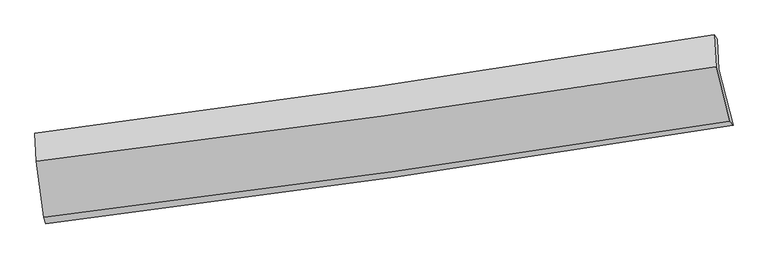
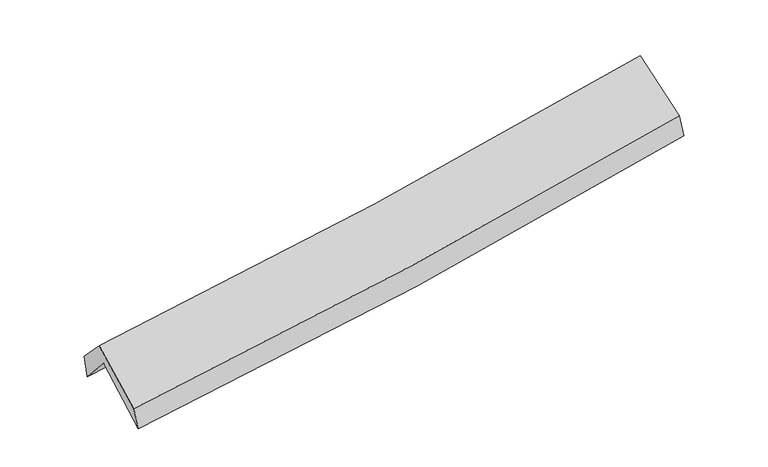
"""IFC4 building model written with IfcOpenShell, lengths in millimetres: proxy geometry."""

from ifc_helpers import new_model, si_unit, frame, origin, place, context, project, spatial, source, transform, mapped, element, save
from ifc_brep_helpers import plane_surface, spline_curve, spline_surface, advanced_brep


def generic_models_6f296f2c(model_context):
    return source(origin(), model_context, "Body", "AdvancedBrep", [
        advanced_brep(
        [(-2997.0459127, -2525.8706277, 1445.4762164), (-3065.361448, -2029.7481519, 1880.6331485), (2988.7128432, -1154.1007022, 2363.4333524), (3114.9093075, -1650.132235, 1958.441798), (-3079.4667417, -1754.2421538, 1573.0709535), (2974.3989897, -884.8038535, 2062.8983913), (-3091.7833401, -1722.1200262, 1783.1541677), (2945.5260964, -847.127376, 2278.8557836), (-3078.2184708, -1969.4559058, 2038.4855029), (2963.6149106, -1132.259052, 2568.8973349), (-3011.1453019, -2466.1818593, 1633.3453617), (3087.2516298, -1615.7560311, 2168.0983223)],
        [
            (0, 1),
            (1, 2, spline_curve(3, [(-3065.361448, -2029.7481519, 1880.6331485), (-2041.392179901, -1892.992909956, 1929.666107697), (-1019.389146439, -1750.785153953, 1995.034452621), (998.551214661, -1458.66861557, 2156.669068545), (1994.572944745, -1308.993888181, 2252.234125034), (2988.7128432, -1154.1007022, 2363.4333524)], [4, 2, 4], [0.0, 10.227174717997693, 20.232435407209948])),
            (2, 3),
            (3, 0, spline_curve(3, [(3114.9093075, -1650.132235, 1958.441798), (2113.576450042, -1813.533934025, 1845.778705945), (1109.200610777, -1967.516992506, 1747.014748938), (-927.981313671, -2259.852229352, 1575.402825817), (-1960.923881405, -2397.78196827, 1503.178255588), (-2997.0459127, -2525.8706277, 1445.4762164)], [4, 2, 4], [0.0, 10.005260689212255, 20.232435407209948])),
            (1, 4),
            (4, 5, spline_curve(3, [(-3079.4667417, -1754.2421538, 1573.0709535), (-2055.897785891, -1611.870779293, 1615.928994524), (-1034.110476536, -1467.41459877, 1678.842263954), (983.768287765, -1177.512339033, 1842.978969317), (1979.936222596, -1032.155753068, 1943.3415126), (2974.3989897, -884.8038535, 2062.8983913)], [4, 2, 4], [0.0, 10.177655710309098, 20.134471878462804])),
            (5, 2),
            (4, 6),
            (6, 7, spline_curve(3, [(-3091.7833401, -1722.1200262, 1783.1541677), (-2070.213359449, -1591.866882475, 1837.83324776), (-1050.824698216, -1452.930287395, 1907.092520619), (961.518145304, -1160.89332413, 2072.952263776), (1954.565962462, -1008.165702355, 2168.926862917), (2945.5260964, -847.127376, 2278.8557836)], [4, 2, 4], [0.0, 10.164631454612309, 20.108705973471608])),
            (7, 5),
            (6, 8),
            (8, 9, spline_curve(3, [(-3078.2184708, -1969.4559058, 2038.4855029), (-2056.196541976, -1843.176966884, 2098.127525258), (-1036.199074122, -1709.424800324, 2172.797369217), (977.658484268, -1430.038385659, 2350.246399398), (1971.605476949, -1284.724934515, 2452.38049902), (2963.6149106, -1132.259052, 2568.8973349)], [4, 2, 4], [0.0, 10.153516916362323, 20.086718065430095])),
            (9, 7),
            (8, 10),
            (10, 11, spline_curve(3, [(-3011.1453019, -2466.1818593, 1633.3453617), (-1977.937227759, -2339.779060426, 1693.428354734), (-947.590437039, -2204.838912448, 1768.686005861), (1085.085716483, -1920.997161494, 1947.588381723), (2087.537902936, -1772.462033176, 2050.581717421), (3087.2516298, -1615.7560311, 2168.0983223)], [4, 2, 4], [0.0, 10.20347711578415, 20.185554404458763])),
            (11, 9),
            (10, 0),
            (3, 11),
        ],
        [
            spline_surface(3, 3, [[(-2997.0459127, -2525.8706277, 1445.4762164), (-1960.923881262, -2397.781968387, 1503.17825565), (-927.981313789, -2259.85222936, 1575.40282588), (1109.200610893, -1967.516992498, 1747.014748876), (2113.576450192, -1813.533933943, 1845.778705878), (3114.9093075, -1650.132235, 1958.441798)], [(-3019.817757824, -2360.496469104, 1590.528527084), (-1987.746647457, -2229.518948936, 1645.340872975), (-958.450591324, -2090.163204242, 1715.28003482), (1072.317478775, -1797.900866842, 1883.566188794), (2073.908615093, -1645.353918728, 1981.263845555), (3072.843819412, -1484.788390727, 2093.438982803)], [(-3042.589602876, -2195.122310496, 1735.580837816), (-2014.56941358, -2061.255929473, 1787.50349035), (-988.919868819, -1920.474179118, 1855.157243678), (1035.434346696, -1628.28474118, 2020.117628631), (2034.240779957, -1477.173903533, 2116.748985222), (3030.778331288, -1319.444546473, 2228.436167597)], [(-3065.361448, -2029.7481519, 1880.6331485), (-2041.392179774, -1892.992910022, 1929.666107675), (-1019.389146355, -1750.785154, 1995.034452618), (998.551214578, -1458.668615524, 2156.669068549), (1994.572944859, -1308.993888319, 2252.234124899), (2988.7128432, -1154.1007022, 2363.4333524)]], [4, 4], [4, 2, 4], [0.0, 2.1792854397117107], [0.0, 10.227174717997693, 20.232435407209948]),
            spline_surface(3, 3, [[(-3065.361448, -2029.7481519, 1880.6331485), (-2041.392179774, -1892.992910022, 1929.666107675), (-1019.389146355, -1750.785154, 1995.034452618), (998.551214578, -1458.668615524, 2156.669068549), (1994.572944859, -1308.993888319, 2252.234124899), (2988.7128432, -1154.1007022, 2363.4333524)], [(-3070.06321256, -1937.912819206, 1778.112416862), (-2046.227381813, -1799.285533145, 1825.087069992), (-1024.296256459, -1656.328302178, 1889.637056343), (993.623572375, -1364.94985672, 2052.105702162), (1989.694037403, -1216.714509942, 2149.269920866), (2983.941558687, -1064.335085955, 2263.255032049)], [(-3074.76497714, -1846.077486494, 1675.591685138), (-2051.062583872, -1705.57815625, 1720.508032225), (-1029.203366601, -1561.871450433, 1784.239660112), (988.695930134, -1271.231097992, 1947.542335818), (1984.815129986, -1124.4351316, 2046.305716787), (2979.170274213, -974.569469745, 2163.076711651)], [(-3079.4667417, -1754.2421538, 1573.0709535), (-2055.897785911, -1611.870779372, 1615.928994542), (-1034.110476705, -1467.414598611, 1678.842263837), (983.768287931, -1177.512339188, 1842.978969431), (1979.93622253, -1032.155753223, 1943.341512754), (2974.3989897, -884.8038535, 2062.8983913)]], [4, 4], [4, 2, 4], [0.0, 1.3884879679437283], [0.0, 10.177655710309098, 20.134471878462804]),
            spline_surface(3, 3, [[(-3079.4667417, -1754.2421538, 1573.0709535), (-2055.897785911, -1611.870779372, 1615.928994542), (-1034.110476705, -1467.414598611, 1678.842263837), (983.768287931, -1177.512339188, 1842.978969431), (1979.93622253, -1032.155753223, 1943.341512754), (2974.3989897, -884.8038535, 2062.8983913)], [(-3083.572274487, -1743.534777936, 1643.098691562), (-2060.66964378, -1605.202813741, 1689.897078973), (-1039.681883833, -1462.586494925, 1754.92568279), (976.351573684, -1171.972667456, 1919.636734178), (1971.479469219, -1024.15906956, 2018.536629438), (2964.774691945, -872.245027676, 2134.88418874)], [(-3087.677807313, -1732.827402064, 1713.126429638), (-2065.441501687, -1598.534848103, 1763.865163419), (-1045.253290966, -1457.758391231, 1831.009101758), (968.934859432, -1166.432995716, 1996.294498939), (1963.022715875, -1016.162385868, 2093.731746102), (2955.150394155, -859.686201824, 2206.86998616)], [(-3091.7833401, -1722.1200262, 1783.1541677), (-2070.213359556, -1591.866882472, 1837.833247849), (-1050.824698094, -1452.930287545, 1907.092520711), (961.518145185, -1160.893323983, 2072.952263686), (1954.565962565, -1008.165702205, 2168.926862786), (2945.5260964, -847.127376, 2278.8557836)]], [4, 4], [4, 2, 4], [0.0, 0.7560258139893282], [0.0, 10.164631454612309, 20.108705973471608]),
            spline_surface(3, 3, [[(-3091.7833401, -1722.1200262, 1783.1541677), (-2070.213359556, -1591.866882472, 1837.833247849), (-1050.824698094, -1452.930287545, 1907.092520711), (961.518145185, -1160.893323983, 2072.952263686), (1954.565962565, -1008.165702205, 2168.926862786), (2945.5260964, -847.127376, 2278.8557836)], [(-3087.261716997, -1804.565319404, 1868.264612748), (-2065.541086998, -1675.636910644, 1924.598006938), (-1045.949490087, -1538.428458461, 1995.66080357), (966.898258165, -1250.60834456, 2165.383642217), (1960.245800635, -1100.35211297, 2263.411408226), (2951.55570112, -942.171268003, 2375.536300684)], [(-3082.740093903, -1887.010612596, 1953.375057852), (-2060.86881445, -1759.406938803, 2011.362766084), (-1041.074282032, -1623.926629364, 2084.229086453), (972.278371193, -1340.323365124, 2257.815020773), (1965.925638745, -1192.538523728, 2357.895953715), (2957.58530588, -1037.215159997, 2472.216817816)], [(-3078.2184708, -1969.4559058, 2038.4855029), (-2056.196541893, -1843.176966975, 2098.127525173), (-1036.199074026, -1709.424800281, 2172.797369313), (977.658484173, -1430.038385702, 2350.246399305), (1971.605476815, -1284.724934493, 2452.380499155), (2963.6149106, -1132.259052, 2568.8973349)]], [4, 4], [4, 2, 4], [0.0, 1.2401432893467812], [0.0, 10.153516916362323, 20.086718065430095]),
            spline_surface(3, 3, [[(-3078.2184708, -1969.4559058, 2038.4855029), (-2056.196541893, -1843.176966975, 2098.127525173), (-1036.199074026, -1709.424800281, 2172.797369313), (977.658484173, -1430.038385702, 2350.246399305), (1971.605476815, -1284.724934493, 2452.380499155), (2963.6149106, -1132.259052, 2568.8973349)], [(-3055.860747846, -2135.031223632, 1903.438789186), (-2030.110103908, -2008.710998098, 1963.227801683), (-1006.662861696, -1874.562837727, 2038.093581483), (1013.467561589, -1593.691310913, 2216.027060126), (2010.24961881, -1447.303967339, 2318.447571929), (3004.827150329, -1293.424711702, 2435.297664027)], [(-3033.503024854, -2300.606541468, 1768.392075414), (-2004.023665885, -2174.245029226, 1828.328078133), (-977.126649335, -2039.700875168, 1903.389793649), (1049.276639035, -1757.344236119, 2081.807720943), (2048.893760818, -1609.883000177, 2184.514644722), (3046.039390071, -1454.590371398, 2301.697993173)], [(-3011.1453019, -2466.1818593, 1633.3453617), (-1977.937227901, -2339.779060349, 1693.428354643), (-947.590437006, -2204.838912614, 1768.686005819), (1085.08571645, -1920.997161331, 1947.588381764), (2087.537902813, -1772.462033022, 2050.581717496), (3087.2516298, -1615.7560311, 2168.0983223)]], [4, 4], [4, 2, 4], [0.0, 2.115009071564558], [0.0, 10.20347711578415, 20.185554404458763]),
            spline_surface(3, 3, [[(-3011.1453019, -2466.1818593, 1633.3453617), (-1977.937227901, -2339.779060349, 1693.428354643), (-947.590437006, -2204.838912614, 1768.686005819), (1085.08571645, -1920.997161331, 1947.588381764), (2087.537902813, -1772.462033022, 2050.581717496), (3087.2516298, -1615.7560311, 2168.0983223)], [(-3006.445505486, -2486.078115418, 1570.722313259), (-1972.266112341, -2359.113363013, 1630.011654971), (-941.054062575, -2223.176684878, 1704.258279172), (1093.124014623, -1936.503771735, 1880.730504134), (2096.217418613, -1786.152666667, 1982.314046954), (3096.470855707, -1627.214765738, 2098.212814197)], [(-3001.745709114, -2505.974371582, 1508.099264841), (-1966.594996823, -2378.447665723, 1566.594955322), (-934.51768822, -2241.514457097, 1639.830552528), (1101.16231272, -1952.010382095, 1813.872626506), (2104.896934392, -1799.843300298, 1914.04637642), (3105.690081593, -1638.673500362, 2028.327306103)], [(-2997.0459127, -2525.8706277, 1445.4762164), (-1960.923881262, -2397.781968387, 1503.17825565), (-927.981313789, -2259.85222936, 1575.40282588), (1109.200610893, -1967.516992498, 1747.014748876), (2113.576450192, -1813.533933943, 1845.778705878), (3114.9093075, -1650.132235, 1958.441798)]], [4, 4], [4, 2, 4], [0.0, 0.670864372546309], [0.0, 10.264105655829377, 20.30549593808093]),
            plane_surface(frame((3012.4022962, -1214.029875, 2233.4374971), z_axis=(0.9807994010933079, 0.16612804698845413, 0.10214698634228325), x_axis=(0.1931599240476776, -0.7553762375420281, -0.6261756810183107))),
            plane_surface(frame((-3053.8368692, -2077.9364541, 1725.6942251), z_axis=(-0.9941464026654662, -0.09905564479037936, -0.04313825799073432), x_axis=(-0.07134350323210466, 0.3020276811072989, 0.9506257856756877))),
        ],
        [
            (0, [[1, 2, 3, 4]]),
            (1, [[5, 6, 7, -2]]),
            (2, [[8, 9, 10, -6]]),
            (3, [[11, 12, 13, -9]]),
            (4, [[14, 15, 16, -12]]),
            (5, [[17, -4, 18, -15]]),
            (6, [[-16, -18, -3, -7, -10, -13]]),
            (7, [[-17, -14, -11, -8, -5, -1]]),
        ],
    ),
    ])


if __name__ == "__main__":
    model = new_model("IFC4")
    model_context = context("Model", 3, world=origin())
    ifc_project = project(units=[si_unit("LENGTHUNIT", "METRE", prefix="MILLI")], contexts=[model_context])
    site = spatial("IfcSite", under=ifc_project)
    building = spatial("IfcBuilding", under=site)
    placement = place(None, origin())
    generic_models_shape = generic_models_6f296f2c(model_context)
    element("IfcBuildingElementProxy", 1, Name="Generic Models", at=placement, inside=building, context=model_context, shape_type="MappedRepresentation", body=[
        mapped(generic_models_shape, transform((0.0, 0.0, 0.0), x_axis=(1.0, 0.0, 0.0), y_axis=(0.0, 1.0, 0.0), z_axis=(0.0, 0.0, 1.0))),
    ])
    save(model, "model.ifc")
